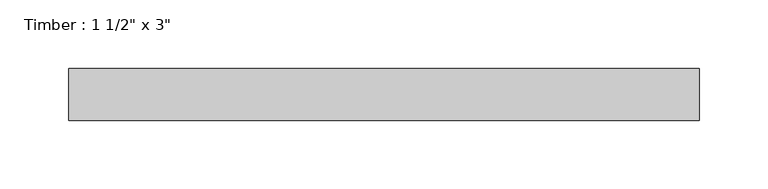
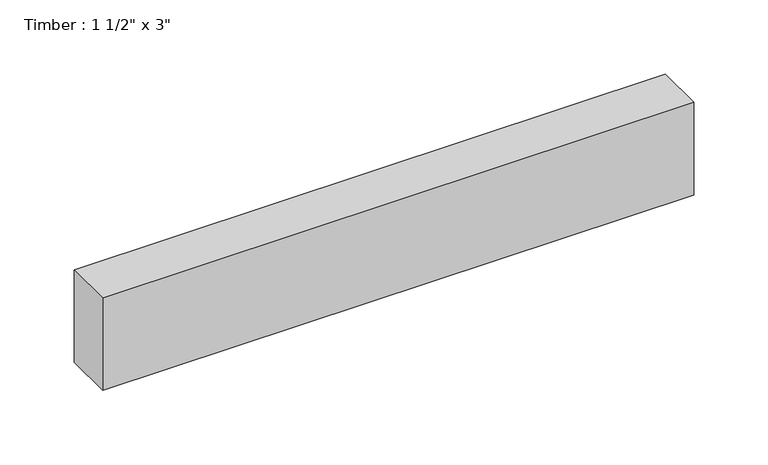
"""IFC4 building model written with IfcOpenShell, lengths in millimetres: beam geometry."""

from ifc_helpers import new_model, si_unit, frame, origin, place, context, project, spatial, polyline, outline, extrude, source, transform, mapped, element, save


def beam_ceb0d1e9(model_context):
    return source(origin(), model_context, "Body", "SweptSolid", [
        extrude(outline(polyline([(229.9178007, 19.05), (229.9178007, -19.05), (-229.9178007, -19.05), (-229.9178007, 19.05), (229.9178007, 19.05)])), frame((0.0, 0.0, -38.1), z_axis=(0.0, 0.0, 1.0), x_axis=(1.0, 0.0, 0.0)), (0.0, 0.0, 1.0), 76.2),
    ])


if __name__ == "__main__":
    model = new_model("IFC4")
    model_context = context("Model", 3, world=origin())
    ifc_project = project(units=[si_unit("LENGTHUNIT", "METRE", prefix="MILLI")], contexts=[model_context])
    site = spatial("IfcSite", under=ifc_project)
    building = spatial("IfcBuilding", under=site)
    placement = place(None, origin())
    beam_shape = beam_ceb0d1e9(model_context)
    element("IfcBeam", 1, ObjectType="Timber : 1 1/2\" x 3\"", at=placement, inside=building, context=model_context, shape_type="MappedRepresentation", body=[
        mapped(beam_shape, transform((0.0, 0.0, 0.0), x_axis=(1.0, 0.0, 0.0), y_axis=(0.0, 1.0, 0.0), z_axis=(0.0, 0.0, 1.0))),
    ])
    save(model, "model.ifc")
